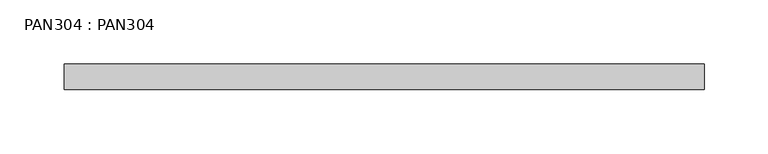
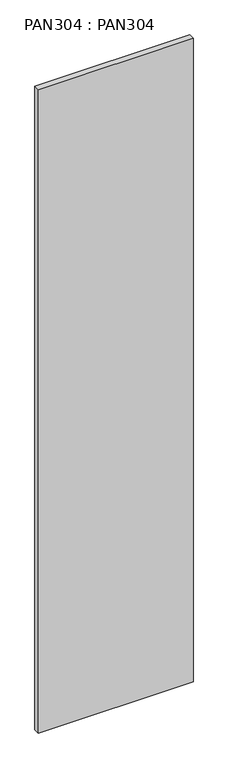
"""IFC4 building model written with IfcOpenShell, lengths in millimetres: proxy geometry, PAN304 : PAN304."""

import ifcopenshell
import ifcopenshell.guid

model = None  # the IFC model being written
_history = None  # IfcOwnerHistory: only IFC2X3 demands one
_inside = {}  # id of a spatial element -> (the spatial element, [elements in it])
_under = {}  # id of a project, library or spatial element -> (it, [spatial elements below it])
_declared = {}  # id of a project -> (the project, [libraries it declares])
_typed = {}  # id of a type object -> (the type object, [elements of that type])
_made_of = {}  # id of a material, layer set ... -> (it, [elements and type objects made of it])


def new_model(schema):
    """Start an empty IFC model of exactly this schema.

    Asked for "IFC4X3", IfcOpenShell would pick the latest addendum, in which some entities
    have other attributes; the version numbers below select the first issue.
    IFC2X3 requires an IfcOwnerHistory on every rooted entity: one is made here for all.
    """
    global model, _history
    if schema == "IFC4X3":
        model = ifcopenshell.file(schema_version=(4, 3, 0, 0))
    else:
        model = ifcopenshell.file(schema=schema)
    _inside.clear()
    _under.clear()
    _declared.clear()
    _typed.clear()
    _made_of.clear()
    _history = None
    if model.schema == "IFC2X3":
        org = make("IfcOrganization", Name="unknown")
        user = make(
            "IfcPersonAndOrganization",
            ThePerson=make("IfcPerson", FamilyName="unknown"),
            TheOrganization=org,
        )
        app = make(
            "IfcApplication",
            ApplicationDeveloper=org,
            Version="unknown",
            ApplicationFullName="unknown",
            ApplicationIdentifier="unknown",
        )
        _history = make(
            "IfcOwnerHistory",
            OwningUser=user,
            OwningApplication=app,
            ChangeAction="ADDED",
            CreationDate=0,
        )
    return model


def make(cls, **values):
    """One entity of the class cls with the attributes given. An attribute that is None is left unset."""
    return model.create_entity(
        cls, **{name: value for name, value in values.items() if value is not None}
    )


def rooted(cls, **values):
    """An entity with a GlobalId (a new one), such as an element, a storey or a relation."""
    return make(cls, GlobalId=ifcopenshell.guid.new(), OwnerHistory=_history, **values)


def si_unit(unit_type, name, prefix=None):
    """IfcSIUnit, for example si_unit("LENGTHUNIT", "METRE", prefix="MILLI")."""
    return make("IfcSIUnit", UnitType=unit_type, Prefix=prefix, Name=name)


def assignment(units):
    """IfcUnitAssignment: the units of a project."""
    return None if units is None else make("IfcUnitAssignment", Units=units)


def point(xyz):
    """IfcCartesianPoint."""
    return None if xyz is None else make("IfcCartesianPoint", Coordinates=xyz)


def direction(xyz):
    """IfcDirection."""
    return None if xyz is None else make("IfcDirection", DirectionRatios=xyz)


def frame(location, z_axis=None, x_axis=None):
    """IfcAxis2Placement3D, a coordinate frame: its origin and axes. An axis left out is left unset."""
    return make(
        "IfcAxis2Placement3D",
        Location=point(location),
        Axis=direction(z_axis),
        RefDirection=direction(x_axis),
    )


def origin():
    """The frame at (0, 0, 0) with its axes left unset."""
    return frame((0.0, 0.0, 0.0))


def origin_with_axes():
    """The frame at (0, 0, 0) with the z axis (0, 0, 1) and the x axis (1, 0, 0) written out."""
    return frame((0.0, 0.0, 0.0), z_axis=(0.0, 0.0, 1.0), x_axis=(1.0, 0.0, 0.0))


def place(relative_to, where):
    """IfcLocalPlacement: puts the frame where relative to a parent placement (None: the world)."""
    return make(
        "IfcLocalPlacement", PlacementRelTo=relative_to, RelativePlacement=where
    )


def context(
    kind, dimensions, precision=None, world=None, true_north=None, identifier=None
):
    """IfcGeometricRepresentationContext, for example the 3D "Model" context."""
    return make(
        "IfcGeometricRepresentationContext",
        ContextIdentifier=identifier,
        ContextType=kind,
        CoordinateSpaceDimension=dimensions,
        Precision=precision,
        WorldCoordinateSystem=world,
        TrueNorth=true_north,
    )


def project(units=None, contexts=None):
    """IfcProject with its units and contexts."""
    return rooted(
        "IfcProject",
        Name="project",
        RepresentationContexts=contexts,
        UnitsInContext=assignment(units),
    )


def spatial(cls, under=None, at=None, **own):
    """A site, building, storey or space (cls), placed at a placement, below another one or the project."""
    s = rooted(cls, ObjectPlacement=at, **own)
    if under is not None:
        _under.setdefault(under.id(), (under, []))[1].append(s)
    return s


def polyline(points):
    """IfcPolyline through the points."""
    return make("IfcPolyline", Points=[point(p) for p in points])


def outline(outer, holes=None, kind="AREA"):
    """IfcArbitraryClosedProfileDef: a profile drawn as a closed curve; with holes, ...WithVoids."""
    if holes is None:
        return make("IfcArbitraryClosedProfileDef", ProfileType=kind, OuterCurve=outer)
    return make(
        "IfcArbitraryProfileDefWithVoids",
        ProfileType=kind,
        OuterCurve=outer,
        InnerCurves=holes,
    )


def extrude(swept, where, along, depth):
    """IfcExtrudedAreaSolid: the profile swept, set in the frame where, extruded along a direction by depth."""
    return make(
        "IfcExtrudedAreaSolid",
        SweptArea=swept,
        Position=where,
        ExtrudedDirection=direction(along),
        Depth=depth,
    )


def shape(context_of_items, identifier, shape_type, items):
    """IfcShapeRepresentation: the items that make up one representation, for example the "Body"."""
    return make(
        "IfcShapeRepresentation",
        ContextOfItems=context_of_items,
        RepresentationIdentifier=identifier,
        RepresentationType=shape_type,
        Items=items,
    )


def source(mapping_origin, context_of_items, identifier, shape_type, items):
    """IfcRepresentationMap: a shape defined once, which mapped items show again and again."""
    return make(
        "IfcRepresentationMap",
        MappingOrigin=mapping_origin,
        MappedRepresentation=shape(context_of_items, identifier, shape_type, items),
    )


def transform(
    local_origin,
    x_axis=None,
    y_axis=None,
    z_axis=None,
    scale=None,
    scale2=None,
    scale3=None,
    uniform=True,
):
    """IfcCartesianTransformationOperator3D, or its non-uniform kind. x_axis, y_axis, z_axis: its Axis1, 2, 3."""
    if uniform:
        return make(
            "IfcCartesianTransformationOperator3D",
            Axis1=direction(x_axis),
            Axis2=direction(y_axis),
            LocalOrigin=point(local_origin),
            Scale=scale,
            Axis3=direction(z_axis),
        )
    return make(
        "IfcCartesianTransformationOperator3DnonUniform",
        Axis1=direction(x_axis),
        Axis2=direction(y_axis),
        LocalOrigin=point(local_origin),
        Scale=scale,
        Axis3=direction(z_axis),
        Scale2=scale2,
        Scale3=scale3,
    )


def mapped(mapping_source, mapping_target):
    """IfcMappedItem: shows the shape of a source again, moved by a transform."""
    return make(
        "IfcMappedItem", MappingSource=mapping_source, MappingTarget=mapping_target
    )


def made_of(thing, what):
    """Note that an element or type object is made of a material, layer set ...; save() writes the relation."""
    if what is not None:
        _made_of.setdefault(what.id(), (what, []))[1].append(thing)
    return thing


def element(
    cls,
    number,
    at=None,
    inside=None,
    cuts=None,
    type_object=None,
    material=None,
    context=None,
    identifier="Body",
    shape_type=None,
    held_by="IfcProductDefinitionShape",
    body=None,
    shapes=None,
    **own,
):
    """One element of the class cls, such as IfcWall. Its Tag is "e" and its number.

    at: its placement. inside: the storey or other place that contains it. cuts: it is an
    opening in that element (IfcRelVoidsElement). A single representation is given by context,
    identifier, shape_type and body (its items); several are given by shapes. held_by: the class
    of the entity that holds the representations. save() writes the other relations.
    """
    e = rooted(cls, Tag="e%d" % number, ObjectPlacement=at, **own)
    if body is not None:
        shapes = [shape(context, identifier, shape_type, body)]
    if shapes is not None:
        e.Representation = make(held_by, Representations=shapes)
    if inside is not None:
        _inside.setdefault(inside.id(), (inside, []))[1].append(e)
    if cuts is not None:
        rooted(
            "IfcRelVoidsElement", RelatingBuildingElement=cuts, RelatedOpeningElement=e
        )
    if type_object is not None:
        _typed.setdefault(type_object.id(), (type_object, []))[1].append(e)
    return made_of(e, material)


def aggregate(whole, parts):
    """IfcRelAggregates: a whole, such as a stair, and the parts it consists of."""
    return rooted("IfcRelAggregates", RelatingObject=whole, RelatedObjects=parts)


def save(model, path):
    """Write the relations noted so far, then the file.

    IfcRelAggregates (storeys below a building ...), IfcRelContainedInSpatialStructure (elements
    in a storey), IfcRelDefinesByType, IfcRelAssociatesMaterial and IfcRelDeclares: one each for
    every whole, place, type object, material and project.
    """
    for whole, parts in _under.values():
        aggregate(whole, parts)
    for where, things in _inside.values():
        rooted(
            "IfcRelContainedInSpatialStructure",
            RelatedElements=things,
            RelatingStructure=where,
        )
    for kind, things in _typed.values():
        rooted("IfcRelDefinesByType", RelatedObjects=things, RelatingType=kind)
    for what, things in _made_of.values():
        rooted("IfcRelAssociatesMaterial", RelatedObjects=things, RelatingMaterial=what)
    for by, libraries in _declared.values():
        rooted("IfcRelDeclares", RelatingContext=by, RelatedDefinitions=libraries)
    model.write(path)


def pan304_pan304_731363a4(model_context):
    return source(origin(), model_context, "Body", "SweptSolid", [
        extrude(outline(polyline([(500.0, -20.0), (0.0, -20.0), (0.0, 0.0), (500.0, 0.0), (500.0, -20.0)])), origin_with_axes(), (0.0, 0.0, 1.0), 2200.0),
    ])


if __name__ == "__main__":
    model = new_model("IFC4")
    model_context = context("Model", 3, world=origin())
    ifc_project = project(units=[si_unit("LENGTHUNIT", "METRE", prefix="MILLI")], contexts=[model_context])
    site = spatial("IfcSite", under=ifc_project)
    building = spatial("IfcBuilding", under=site)
    placement = place(None, origin())
    pan304_pan304_shape = pan304_pan304_731363a4(model_context)
    element("IfcBuildingElementProxy", 1, Name="PAN304 : PAN304", ObjectType="PAN304 : PAN304", at=placement, inside=building, context=model_context, shape_type="MappedRepresentation", body=[
        mapped(pan304_pan304_shape, transform((0.0, 0.0, 0.0), x_axis=(1.0, 0.0, 0.0), y_axis=(0.0, 1.0, 0.0), z_axis=(0.0, 0.0, 1.0))),
    ])
    save(model, "model.ifc")
